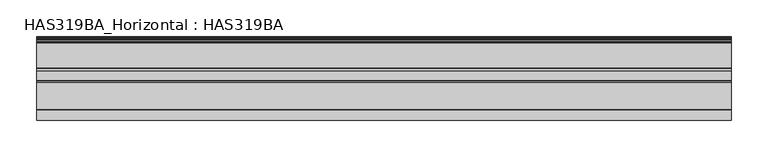
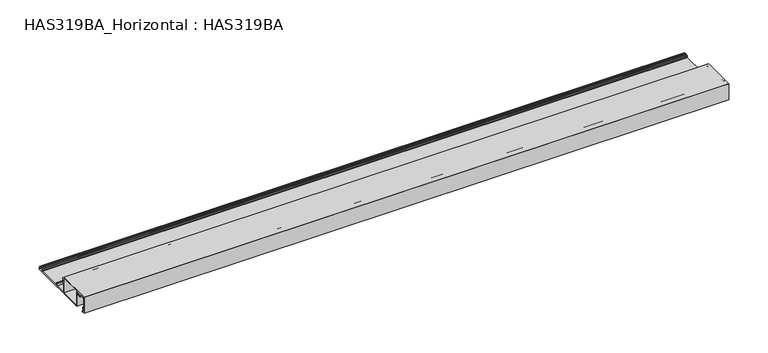
"""IFC4 building model written with IfcOpenShell, lengths in millimetres: beam geometry, HAS319BA_Horizontal : HAS319BA."""

from ifc_helpers import new_model, si_unit, point, frame, frame_2d, origin, place, context, project, spatial, polyline, circle_curve, trimmed, segment, composite_curve, outline, extrude, source, transform, mapped, element, save


def has319ba_horizontal_has319ba_d6cd24a6(model_context):
    return source(origin(), model_context, "Body", "SweptSolid", [
        extrude(outline(composite_curve([segment(polyline([(11.9922443, 1.5559478), (48.7321131, 1.5559478)]), True, "CONTINUOUS"), segment(trimmed(circle_curve(frame_2d((48.7321131, 2.0578665)), 0.5019187), [point((48.7321131, 1.5559478))], [point((49.1763904, 2.2914045))], True, "CARTESIAN"), True, "CONTINUOUS"), segment(polyline([(49.1763904, 2.2914045), (48.6994167, 3.1987884)]), True, "CONTINUOUS"), segment(trimmed(circle_curve(frame_2d((49.4855486, 3.362855)), 0.8030699), [point((48.6994167, 3.1987884))], [point((48.9176924, 3.9307111))], False, "CARTESIAN"), True, "CONTINUOUS"), segment(polyline([(48.9176924, 3.9307111), (49.8555923, 4.868611), (51.8683829, 4.868611)]), True, "CONTINUOUS"), segment(trimmed(circle_curve(frame_2d((51.8683829, 4.5303283)), 0.3382827), [point((51.8683829, 4.868611))], [point((52.1087403, 4.2922873))], False, "CARTESIAN"), True, "CONTINUOUS"), segment(trimmed(circle_curve(frame_2d((53.2499385, 3.1620875)), 1.6061397), [point((52.1087403, 4.2922873))], [point((54.4254596, 4.256544))], True, "CARTESIAN"), True, "CONTINUOUS"), segment(trimmed(circle_curve(frame_2d((54.6918814, 4.5045932)), 0.3640178), [point((54.4254596, 4.256544))], [point((54.6918814, 4.868611))], False, "CARTESIAN"), True, "CONTINUOUS"), segment(polyline([(54.6918814, 4.868611), (55.8521822, 4.868611)]), True, "CONTINUOUS"), segment(trimmed(circle_curve(frame_2d((53.2499385, 3.1620875)), 3.1118957), [point((55.8521822, 4.868611))], [point((56.2063299, 2.1906738))], False, "CARTESIAN"), True, "CONTINUOUS"), segment(trimmed(circle_curve(frame_2d((56.6831672, 2.0339941)), 0.5019187), [point((56.2063299, 2.1906738))], [point((56.5866789, 1.5414372))], True, "CARTESIAN"), True, "CONTINUOUS"), segment(trimmed(circle_curve(frame_2d((56.437122, 0.7779739)), 0.7779739), [point((56.5866789, 1.5414372))], [point((56.437122, 0.0))], False, "CARTESIAN"), True, "CONTINUOUS"), segment(polyline([(56.437122, 0.0), (-38.6906612, 0.0), (-38.6906612, 23.6448196), (-40.9871474, 23.6448196)]), True, "CONTINUOUS"), segment(trimmed(circle_curve(frame_2d((-40.9871474, 23.2432753)), 0.4015444), [point((-40.9871474, 23.6448196))], [point((-41.3499466, 23.0711864))], True, "CARTESIAN"), True, "CONTINUOUS"), segment(trimmed(circle_curve(frame_2d((-44.1615746, 21.7375287)), 3.1118957), [point((-41.3499466, 23.0711864))], [point((-41.8268955, 19.6800623))], False, "CARTESIAN"), True, "CONTINUOUS"), segment(trimmed(circle_curve(frame_2d((-42.3917372, 20.1778364)), 0.752878), [point((-41.8268955, 19.6800623))], [point((-42.956579, 20.6756106))], False, "CARTESIAN"), True, "CONTINUOUS"), segment(trimmed(circle_curve(frame_2d((-44.1615746, 21.7375287)), 1.6061397), [point((-42.956579, 20.6756106))], [point((-44.120102, 23.3431329))], True, "CARTESIAN"), True, "CONTINUOUS"), segment(trimmed(circle_curve(frame_2d((-44.1615746, 21.7375287)), 1.6061397), [point((-44.120102, 23.3431329))], [point((-45.3665703, 20.6756106))], True, "CARTESIAN"), True, "CONTINUOUS"), segment(trimmed(circle_curve(frame_2d((-45.931412, 20.1778364)), 0.752878), [point((-45.3665703, 20.6756106))], [point((-46.4962537, 19.6800623))], False, "CARTESIAN"), True, "CONTINUOUS"), segment(trimmed(circle_curve(frame_2d((-44.1615746, 21.7375287)), 3.1118957), [point((-46.4962537, 19.6800623))], [point((-46.9732171, 23.0711558))], False, "CARTESIAN"), True, "CONTINUOUS"), segment(trimmed(circle_curve(frame_2d((-47.33604, 23.2432511)), 0.4015685), [point((-46.9732171, 23.0711558))], [point((-47.33604, 23.6448196))], True, "CARTESIAN"), True, "CONTINUOUS"), segment(polyline([(-47.33604, 23.6448196), (-53.3466861, 23.6448196), (-53.3466861, 22.6409823)]), True, "CONTINUOUS"), segment(trimmed(circle_curve(frame_2d((-53.8486047, 22.6409823)), 0.5019187), [point((-53.3466861, 22.6409823))], [point((-54.3505234, 22.6409823))], False, "CARTESIAN"), True, "CONTINUOUS"), segment(polyline([(-54.3505234, 22.6409823), (-54.3505234, 23.6448196), (-55.8562794, 23.6448196), (-55.8562794, 5.6716808), (-54.3505234, 5.6716808), (-54.3505234, 6.6755182)]), True, "CONTINUOUS"), segment(trimmed(circle_curve(frame_2d((-53.8486047, 6.6755182)), 0.5019187), [point((-54.3505234, 6.6755182))], [point((-53.3466861, 6.6755182))], False, "CARTESIAN"), True, "CONTINUOUS"), segment(polyline([(-53.3466861, 6.6755182), (-53.3466861, 5.4709134)]), True, "CONTINUOUS"), segment(trimmed(circle_curve(frame_2d((-54.1497559, 5.4709134)), 0.8030699), [point((-53.3466861, 5.4709134))], [point((-54.1497559, 4.6678435))], False, "CARTESIAN"), True, "CONTINUOUS"), segment(polyline([(-54.1497559, 4.6678435), (-55.8562794, 4.6678435), (-55.8562794, 1.4053722), (-52.8949593, 1.4053722)]), True, "CONTINUOUS"), segment(trimmed(circle_curve(frame_2d((-52.8949593, 0.7026861)), 0.7026861), [point((-52.8949593, 1.4053722))], [point((-52.8949593, 0.0))], False, "CARTESIAN"), True, "CONTINUOUS"), segment(polyline([(-52.8949593, 0.0), (-57.2114597, 0.0), (-57.2114597, 25.0), (-5.5749087, 25.0), (-5.5749087, 22.6409823), (-3.8683853, 22.6409823)]), True, "CONTINUOUS"), segment(trimmed(circle_curve(frame_2d((-3.8683853, 22.1390636)), 0.5019187), [point((-3.8683853, 22.6409823))], [point((-3.3664666, 22.1390636))], False, "CARTESIAN"), True, "CONTINUOUS"), segment(polyline([(-3.3664666, 22.1390636), (-3.3664666, 20.5336914)]), True, "CONTINUOUS"), segment(trimmed(circle_curve(frame_2d((-3.8683853, 20.5336914)), 0.5019187), [point((-3.3664666, 20.5336914))], [point((-4.3703039, 20.5336914))], False, "CARTESIAN"), True, "CONTINUOUS"), segment(polyline([(-4.3703039, 20.5336914), (-4.3703039, 21.3359938), (-5.7756762, 21.3359938), (-5.7756762, 16.0112052), (-4.3703039, 16.0112052), (-4.3703039, 16.8135076)]), True, "CONTINUOUS"), segment(trimmed(circle_curve(frame_2d((-3.8683853, 16.8135076)), 0.5019187), [point((-4.3703039, 16.8135076))], [point((-3.3664666, 16.8135076))], False, "CARTESIAN"), True, "CONTINUOUS"), segment(polyline([(-3.3664666, 16.8135076), (-3.3664666, 15.2081353)]), True, "CONTINUOUS"), segment(trimmed(circle_curve(frame_2d((-3.8683853, 15.2081353)), 0.5019187), [point((-3.3664666, 15.2081353))], [point((-3.8683853, 14.7062167))], False, "CARTESIAN"), True, "CONTINUOUS"), segment(polyline([(-3.8683853, 14.7062167), (-5.5749087, 14.7062167), (-5.5749087, 1.5559478), (10.6872558, 1.5559478), (10.6872558, 4.868611), (13.3976166, 4.868611)]), True, "CONTINUOUS"), segment(trimmed(circle_curve(frame_2d((13.3976166, 4.2663086)), 0.6023024), [point((13.3976166, 4.868611))], [point((13.6744167, 3.7313788))], False, "CARTESIAN"), True, "CONTINUOUS"), segment(polyline([(13.6744167, 3.7313788), (11.9922443, 2.8609364), (11.9922443, 1.5559478)]), True, "CONTINUOUS")], self_intersect=False), holes=[polyline([(-7.1308566, 23.6448196), (-37.1347134, 23.6448196), (-37.1347134, 1.5559478), (-7.1308566, 1.5559478), (-7.1308566, 23.6448196)])]), frame((-474.9040671, 0.0, 0.0), z_axis=(1.0, 0.0, 0.0), x_axis=(0.0, 1.0, 0.0)), (0.0, 0.0, 1.0), 949.8081342),
    ])


if __name__ == "__main__":
    model = new_model("IFC4")
    model_context = context("Model", 3, world=origin())
    ifc_project = project(units=[si_unit("LENGTHUNIT", "METRE", prefix="MILLI")], contexts=[model_context])
    site = spatial("IfcSite", under=ifc_project)
    building = spatial("IfcBuilding", under=site)
    placement = place(None, origin())
    has319ba_horizontal_has319ba_shape = has319ba_horizontal_has319ba_d6cd24a6(model_context)
    element("IfcBeam", 1, ObjectType="HAS319BA_Horizontal : HAS319BA", at=placement, inside=building, context=model_context, shape_type="MappedRepresentation", body=[
        mapped(has319ba_horizontal_has319ba_shape, transform((0.0, 0.0, 0.0), x_axis=(1.0, 0.0, 0.0), y_axis=(0.0, 1.0, 0.0), z_axis=(0.0, 0.0, 1.0))),
    ])
    save(model, "model.ifc")
